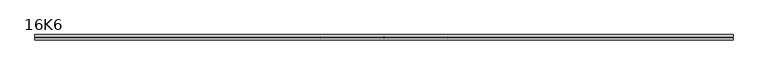
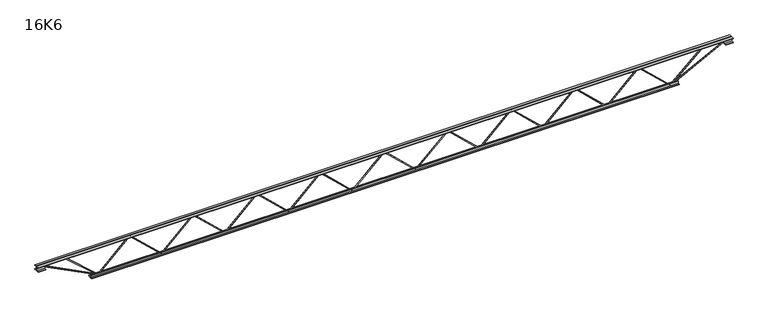
"""IFC4 building model written with IfcOpenShell, lengths in millimetres: beam geometry, 16K6."""

from ifc_helpers import new_model, si_unit, frame, origin, place, context, project, spatial, polyline, outline, extrude, source, transform, mapped, element, save


def beam_16k6_5ffb2fbd(model_context):
    return source(origin(), model_context, "Body", "SweptSolid", [
        extrude(outline(polyline([(-191.9, 2108.6111111), (-201.4, 2108.6111111), (-201.4, 2113.6781201), (191.9, 2529.0503424), (191.9, 2531.6163243), (-201.4, 2946.9885465), (-201.4, 2952.0555556), (-191.9, 2952.0555556), (-191.9, 2950.7725646), (201.4, 2535.4003424), (201.4, 2525.2663243), (-191.9, 2109.8941021), (-191.9, 2108.6111111)])), frame((0.0, -4.75, 0.0), z_axis=(0.0, 1.0, 0.0), x_axis=(0.0, 0.0, 1.0)), (0.0, 0.0, 1.0), 9.5),
        extrude(outline(polyline([(-191.9, 1265.1666667), (-201.4, 1265.1666667), (-201.4, 1270.2336757), (191.9, 1685.6058979), (191.9, 1688.1718799), (-201.4, 2103.5441021), (-201.4, 2108.6111111), (-191.9, 2108.6111111), (-191.9, 2107.3281201), (201.4, 1691.9558979), (201.4, 1681.8218799), (-191.9, 1266.4496576), (-191.9, 1265.1666667)])), frame((0.0, -4.75, 0.0), z_axis=(0.0, 1.0, 0.0), x_axis=(0.0, 0.0, 1.0)), (0.0, 0.0, 1.0), 9.5),
        extrude(outline(polyline([(-191.9, 421.7222222), (-201.4, 421.7222222), (-201.4, 426.7892313), (191.9, 842.1614535), (191.9, 844.7274354), (-201.4, 1260.0996576), (-201.4, 1265.1666667), (-191.9, 1265.1666667), (-191.9, 1263.8836757), (201.4, 848.5114535), (201.4, 838.3774354), (-191.9, 423.0052132), (-191.9, 421.7222222)])), frame((0.0, -4.75, 0.0), z_axis=(0.0, 1.0, 0.0), x_axis=(0.0, 0.0, 1.0)), (0.0, 0.0, 1.0), 9.5),
        extrude(outline(polyline([(-191.9, -421.7222222), (-201.4, -421.7222222), (-201.4, -416.6552132), (191.9, -1.282991), (191.9, 1.282991), (-201.4, 416.6552132), (-201.4, 421.7222222), (-191.9, 421.7222222), (-191.9, 420.4392313), (201.4, 5.067009), (201.4, -5.067009), (-191.9, -420.4392313), (-191.9, -421.7222222)])), frame((0.0, -4.75, 0.0), z_axis=(0.0, 1.0, 0.0), x_axis=(0.0, 0.0, 1.0)), (0.0, 0.0, 1.0), 9.5),
        extrude(outline(polyline([(-191.9, -1265.1666667), (-201.4, -1265.1666667), (-201.4, -1260.0996576), (191.9, -844.7274354), (191.9, -842.1614535), (-201.4, -426.7892313), (-201.4, -421.7222222), (-191.9, -421.7222222), (-191.9, -423.0052132), (201.4, -838.3774354), (201.4, -848.5114535), (-191.9, -1263.8836757), (-191.9, -1265.1666667)])), frame((0.0, -4.75, 0.0), z_axis=(0.0, 1.0, 0.0), x_axis=(0.0, 0.0, 1.0)), (0.0, 0.0, 1.0), 9.5),
        extrude(outline(polyline([(-191.9, -2108.6111111), (-201.4, -2108.6111111), (-201.4, -2103.5441021), (191.9, -1688.1718799), (191.9, -1685.6058979), (-201.4, -1270.2336757), (-201.4, -1265.1666667), (-191.9, -1265.1666667), (-191.9, -1266.4496576), (201.4, -1681.8218799), (201.4, -1691.9558979), (-191.9, -2107.3281201), (-191.9, -2108.6111111)])), frame((0.0, -4.75, 0.0), z_axis=(0.0, 1.0, 0.0), x_axis=(0.0, 0.0, 1.0)), (0.0, 0.0, 1.0), 9.5),
        extrude(outline(polyline([(-191.9, -2952.0555556), (-201.4, -2952.0555556), (-201.4, -2946.9885465), (191.9, -2531.6163243), (191.9, -2529.0503424), (-201.4, -2113.6781201), (-201.4, -2108.6111111), (-191.9, -2108.6111111), (-191.9, -2109.8941021), (201.4, -2525.2663243), (201.4, -2535.4003424), (-191.9, -2950.7725646), (-191.9, -2952.0555556)])), frame((0.0, -4.75, 0.0), z_axis=(0.0, 1.0, 0.0), x_axis=(0.0, 0.0, 1.0)), (0.0, 0.0, 1.0), 9.5),
        extrude(outline(polyline([(-191.9, 2952.0555556), (-201.4, 2952.0555556), (-201.4, 2957.1225646), (191.9, 3372.4947868), (191.9, 3375.0607687), (-201.4, 3790.432991), (-201.4, 3795.5), (-191.9, 3795.5), (-191.9, 3794.217009), (201.4, 3378.8447868), (201.4, 3368.7107687), (-191.9, 2953.3385465), (-191.9, 2952.0555556)])), frame((0.0, -4.75, 0.0), z_axis=(0.0, 1.0, 0.0), x_axis=(0.0, 0.0, 1.0)), (0.0, 0.0, 1.0), 9.5),
        extrude(outline(polyline([(-191.9, -3795.5), (-201.4, -3795.5), (-201.4, -3790.432991), (191.9, -3375.0607687), (191.9, -3372.4947868), (-201.4, -2957.1225646), (-201.4, -2952.0555556), (-191.9, -2952.0555556), (-191.9, -2953.3385465), (201.4, -3368.7107687), (201.4, -3378.8447868), (-191.9, -3794.217009), (-191.9, -3795.5)])), frame((0.0, -4.75, 0.0), z_axis=(0.0, 1.0, 0.0), x_axis=(0.0, 0.0, 1.0)), (0.0, 0.0, 1.0), 9.5),
        extrude(outline(polyline([(4.75, 203.0), (36.75, 203.0), (36.75, 196.5), (11.25, 196.5), (11.25, 171.0), (4.75, 171.0), (4.75, 203.0)])), frame((-4607.5, 0.0, 0.0), z_axis=(1.0, 0.0, 0.0), x_axis=(0.0, 1.0, 0.0)), (0.0, 0.0, 1.0), 9215.0),
        extrude(outline(polyline([(-4.75, 203.0), (-4.75, 171.0), (-11.25, 171.0), (-11.25, 196.5), (-36.75, 196.5), (-36.75, 203.0), (-4.75, 203.0)])), frame((-4607.5, 0.0, 0.0), z_axis=(1.0, 0.0, 0.0), x_axis=(0.0, 1.0, 0.0)), (0.0, 0.0, 1.0), 9215.0),
        extrude(outline(polyline([(-4.75, 139.5), (-36.75, 139.5), (-36.75, 146.0), (-11.25, 146.0), (-11.25, 171.0), (-4.75, 171.0), (-4.75, 139.5)])), frame((-4607.5, 0.0, 0.0), z_axis=(1.0, 0.0, 0.0), x_axis=(0.0, 1.0, 0.0)), (0.0, 0.0, 1.0), 100.0),
        extrude(outline(polyline([(36.75, 139.5), (4.75, 139.5), (4.75, 171.0), (11.25, 171.0), (11.25, 146.0), (36.75, 146.0), (36.75, 139.5)])), frame((-4607.5, 0.0, 0.0), z_axis=(1.0, 0.0, 0.0), x_axis=(0.0, 1.0, 0.0)), (0.0, 0.0, 1.0), 100.0),
        extrude(outline(polyline([(4.75, 139.5), (4.75, 171.0), (11.25, 171.0), (11.25, 146.0), (36.75, 146.0), (36.75, 139.5), (4.75, 139.5)])), frame((4507.5, 0.0, 0.0), z_axis=(1.0, 0.0, 0.0), x_axis=(0.0, 1.0, 0.0)), (0.0, 0.0, 1.0), 100.0),
        extrude(outline(polyline([(-4.75, 139.5), (-36.75, 139.5), (-36.75, 146.0), (-11.25, 146.0), (-11.25, 171.0), (-4.75, 171.0), (-4.75, 139.5)])), frame((4507.5, 0.0, 0.0), z_axis=(1.0, 0.0, 0.0), x_axis=(0.0, 1.0, 0.0)), (0.0, 0.0, 1.0), 100.0),
        extrude(outline(polyline([(4.75, -203.0), (4.75, -171.0), (11.25, -171.0), (11.25, -196.5), (36.75, -196.5), (36.75, -203.0), (4.75, -203.0)])), frame((-3895.5, 0.0, 0.0), z_axis=(1.0, 0.0, 0.0), x_axis=(0.0, 1.0, 0.0)), (0.0, 0.0, 1.0), 7791.0),
        extrude(outline(polyline([(-4.75, -203.0), (-36.75, -203.0), (-36.75, -196.5), (-11.25, -196.5), (-11.25, -171.0), (-4.75, -171.0), (-4.75, -203.0)])), frame((-3895.5, 0.0, 0.0), z_axis=(1.0, 0.0, 0.0), x_axis=(0.0, 1.0, 0.0)), (0.0, 0.0, 1.0), 7791.0),
        extrude(outline(polyline([(-200.8705467, -3797.6793315), (-192.4294533, -3793.3206685), (175.75, -4506.3460208), (175.75, -4607.5), (166.25, -4607.5), (166.25, -4508.6539792), (-200.8705467, -3797.6793315)])), frame((0.0, -4.75, 0.0), z_axis=(0.0, 1.0, 0.0), x_axis=(0.0, 0.0, 1.0)), (0.0, 0.0, 1.0), 9.5),
        extrude(outline(polyline([(188.7, -4237.1793651), (179.2, -4237.1793651), (179.2, -4226.2827793), (-200.2031334, -3798.6524187), (-193.0968666, -3792.3475813), (188.7, -4222.6759509), (188.7, -4237.1793651)])), frame((0.0, -4.75, 0.0), z_axis=(0.0, 1.0, 0.0), x_axis=(0.0, 0.0, 1.0)), (0.0, 0.0, 1.0), 9.5),
        extrude(outline(polyline([(0.0, -9.5), (0.0, 0.0), (801.3179909, 0.0), (801.3179909, -9.5), (0.0, -9.5)])), frame((4509.6793315, -4.75, 166.7794533), z_axis=(-0.45880662132449684, 0.0, 0.8885361468329804), x_axis=(-0.8885361468329804, 0.0, -0.45880662132449684)), (0.0, 0.0, 1.0), 9.5),
        extrude(outline(polyline([(0.0, -9.5), (0.0, 0.0), (587.3560938, 0.0), (587.3560938, -9.5), (0.0, -9.5)])), frame((4234.9171594, -4.75, 193.1221173), z_axis=(-0.6696108275544873, 0.0, 0.7427121512549762), x_axis=(-0.7427121512549762, 0.0, -0.6696108275544873)), (0.0, 0.0, 1.0), 9.5),
    ])


if __name__ == "__main__":
    model = new_model("IFC4")
    model_context = context("Model", 3, world=origin())
    ifc_project = project(units=[si_unit("LENGTHUNIT", "METRE", prefix="MILLI")], contexts=[model_context])
    site = spatial("IfcSite", under=ifc_project)
    building = spatial("IfcBuilding", under=site)
    placement = place(None, origin())
    beam_16k6_shape = beam_16k6_5ffb2fbd(model_context)
    element("IfcBeam", 1, ObjectType="16K6", at=placement, inside=building, context=model_context, shape_type="MappedRepresentation", body=[
        mapped(beam_16k6_shape, transform((0.0, 0.0, 0.0), x_axis=(1.0, 0.0, 0.0), y_axis=(0.0, 1.0, 0.0), z_axis=(0.0, 0.0, 1.0))),
    ])
    save(model, "model.ifc")
